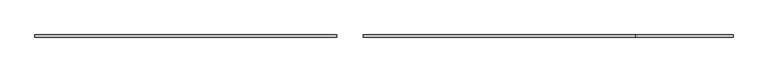
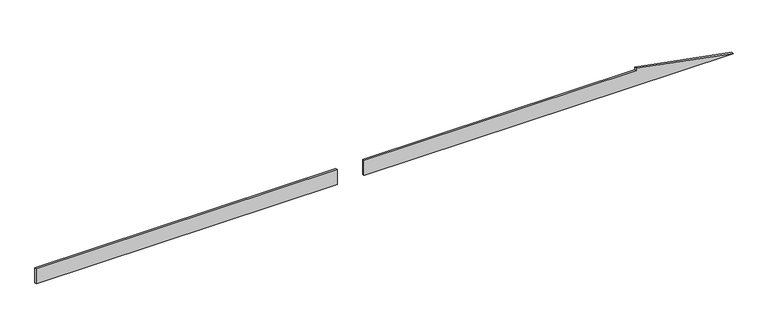
"""IFC4 building model written with IfcOpenShell, lengths in millimetres: plate geometry."""

from ifc_helpers import new_model, si_unit, frame, origin, origin_with_axes, place, context, project, spatial, polyline, outline, extrude, source, transform, mapped, element, save


def plate_d5de3318(model_context):
    return source(origin(), model_context, "Body", "SweptSolid", [
        extrude(outline(polyline([(-446.7073973, 20.0), (-3283.3450947, 20.0), (-3283.3450947, 40.0), (-446.7073973, 40.0), (-446.7073973, 20.0)])), origin_with_axes(), (0.0, 0.0, 1.0), 150.0),
        extrude(outline(polyline([(0.0, -194.619921), (0.0, 3283.3450947), (175.0, 2368.5723674), (150.0, 2368.5723674), (150.0, -194.619921), (0.0, -194.619921)])), frame((0.0, 20.0, 0.0), z_axis=(0.0, 1.0, 0.0), x_axis=(0.0, 0.0, 1.0)), (0.0, 0.0, 1.0), 20.0),
    ])


if __name__ == "__main__":
    model = new_model("IFC4")
    model_context = context("Model", 3, world=origin())
    ifc_project = project(units=[si_unit("LENGTHUNIT", "METRE", prefix="MILLI")], contexts=[model_context])
    site = spatial("IfcSite", under=ifc_project)
    building = spatial("IfcBuilding", under=site)
    placement = place(None, origin())
    plate_shape = plate_d5de3318(model_context)
    element("IfcPlate", 1, at=placement, inside=building, context=model_context, shape_type="MappedRepresentation", body=[
        mapped(plate_shape, transform((0.0, 0.0, 0.0), x_axis=(1.0, 0.0, 0.0), y_axis=(0.0, 1.0, 0.0), z_axis=(0.0, 0.0, 1.0))),
    ])
    save(model, "model.ifc")
